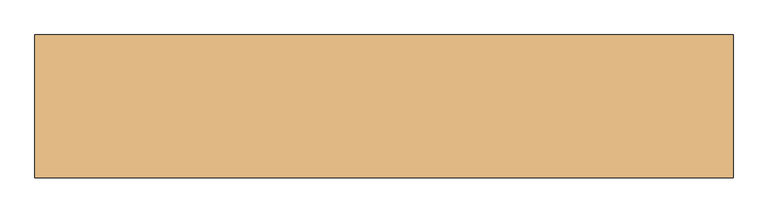
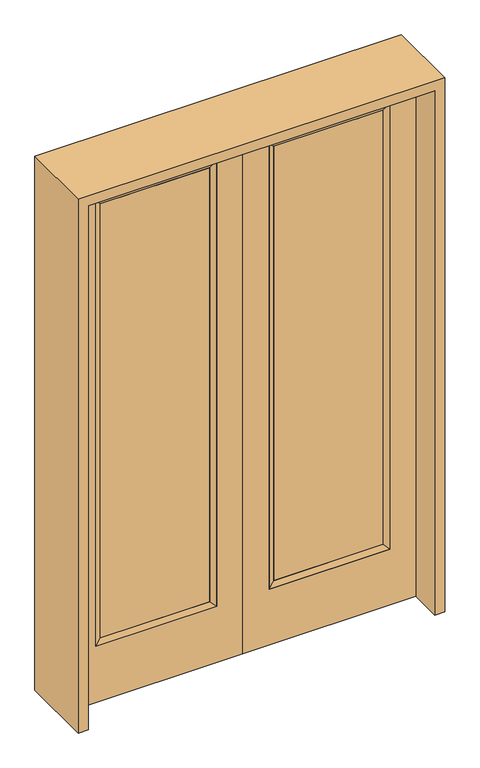
"""IFC4 building model written with IfcOpenShell, lengths in millimetres: door geometry."""

from ifc_helpers import new_model, si_unit, frame, origin, place, context, project, spatial, polyline, outline, extrude, faceted_brep, source, transform, mapped, element, save


def door_3418511c(model_context):
    return source(origin(), model_context, "Body", "SolidModel", [
        extrude(outline(polyline([(140.8176, -12.7039749), (140.8176, 14.2875), (621.1824, 14.2875), (621.1824, -12.7039749), (140.8176, -12.7039749)])), frame((0.0, 0.0, 285.75), z_axis=(0.0, 0.0, 1.0), x_axis=(1.0, 0.0, 0.0)), (0.0, 0.0, 1.0), 2019.3),
        faceted_brep([(140.8176, 14.2875, 2305.05), (140.8176, 14.2875, 285.75), (115.4176, 22.225, 260.35), (115.4176, 22.225, 2330.45), (115.4176, -22.225, 260.35), (115.4176, -22.225, 2330.45), (621.1824, 14.2875, 285.75), (646.5824, 22.225, 260.35), (140.8176, -12.7039749, 2305.05), (140.8176, -12.7039749, 285.75), (621.1824, -12.7039749, 285.75), (646.5824, -22.225, 260.35), (621.1824, 14.2875, 2305.05), (646.5824, 22.225, 2330.45), (621.1824, -12.7039749, 2305.05), (646.5824, -22.225, 2330.45)], [[[0, 1, 2, 3]], [[3, 2, 4, 5]], [[1, 6, 7, 2]], [[8, 9, 1, 0]], [[9, 10, 6, 1]], [[5, 4, 9, 8]], [[4, 11, 10, 9]], [[2, 7, 11, 4]], [[6, 12, 13, 7]], [[10, 14, 12, 6]], [[11, 15, 14, 10]], [[7, 13, 15, 11]], [[12, 0, 3, 13]], [[14, 8, 0, 12]], [[15, 5, 8, 14]], [[13, 3, 5, 15]]]),
        extrude(outline(polyline([(0.0, 762.0), (2438.4, 762.0), (2438.4, 0.0), (0.0, 0.0), (0.0, 762.0)]), holes=[polyline([(260.35, 646.5824), (260.35, 115.4176), (2330.45, 115.4176), (2330.45, 646.5824), (260.35, 646.5824)])]), frame((0.0, -22.225, 0.0), z_axis=(0.0, 1.0, 0.0), x_axis=(0.0, 0.0, 1.0)), (0.0, 0.0, 1.0), 44.45),
        extrude(outline(polyline([(-140.8176, -12.7039749), (-621.1824, -12.7039749), (-621.1824, 14.2875), (-140.8176, 14.2875), (-140.8176, -12.7039749)])), frame((0.0, 0.0, 285.75), z_axis=(0.0, 0.0, 1.0), x_axis=(1.0, 0.0, 0.0)), (0.0, 0.0, 1.0), 2019.3),
        faceted_brep([(-140.8176, 14.2875, 2305.05), (-115.4176, 22.225, 2330.45), (-115.4176, 22.225, 260.35), (-140.8176, 14.2875, 285.75), (-115.4176, -22.225, 2330.45), (-115.4176, -22.225, 260.35), (-646.5824, 22.225, 260.35), (-621.1824, 14.2875, 285.75), (-140.8176, -12.7039749, 2305.05), (-140.8176, -12.7039749, 285.75), (-621.1824, -12.7039749, 285.75), (-646.5824, -22.225, 260.35), (-646.5824, 22.225, 2330.45), (-621.1824, 14.2875, 2305.05), (-621.1824, -12.7039749, 2305.05), (-646.5824, -22.225, 2330.45)], [[[0, 1, 2, 3]], [[1, 4, 5, 2]], [[3, 2, 6, 7]], [[8, 0, 3, 9]], [[9, 3, 7, 10]], [[4, 8, 9, 5]], [[5, 9, 10, 11]], [[2, 5, 11, 6]], [[7, 6, 12, 13]], [[10, 7, 13, 14]], [[11, 10, 14, 15]], [[6, 11, 15, 12]], [[13, 12, 1, 0]], [[14, 13, 0, 8]], [[15, 14, 8, 4]], [[12, 15, 4, 1]]]),
        extrude(outline(polyline([(0.0, -762.0), (0.0, 0.0), (2438.4, 0.0), (2438.4, -762.0), (0.0, -762.0)]), holes=[polyline([(260.35, -646.5824), (2330.45, -646.5824), (2330.45, -115.4176), (260.35, -115.4176), (260.35, -646.5824)])]), frame((0.0, -22.225, 0.0), z_axis=(0.0, 1.0, 0.0), x_axis=(0.0, 0.0, 1.0)), (0.0, 0.0, 1.0), 44.45),
        extrude(outline(polyline([(2482.85, -806.45), (0.0, -806.45), (0.0, -762.0), (2438.4, -762.0), (2438.4, 762.0), (0.0, 762.0), (0.0, 806.45), (2482.85, 806.45), (2482.85, -806.45)])), frame((0.0, -165.1, 0.0), z_axis=(0.0, 1.0, 0.0), x_axis=(0.0, 0.0, 1.0)), (0.0, 0.0, 1.0), 330.2),
    ])


if __name__ == "__main__":
    model = new_model("IFC4")
    model_context = context("Model", 3, world=origin())
    ifc_project = project(units=[si_unit("LENGTHUNIT", "METRE", prefix="MILLI")], contexts=[model_context])
    site = spatial("IfcSite", under=ifc_project)
    building = spatial("IfcBuilding", under=site)
    placement = place(None, origin())
    door_shape = door_3418511c(model_context)
    element("IfcDoor", 1, at=placement, inside=building, context=model_context, shape_type="MappedRepresentation", body=[
        mapped(door_shape, transform((0.0, 0.0, 0.0), x_axis=(1.0, 0.0, 0.0), y_axis=(0.0, 1.0, 0.0), z_axis=(0.0, 0.0, 1.0))),
    ])
    save(model, "model.ifc")
